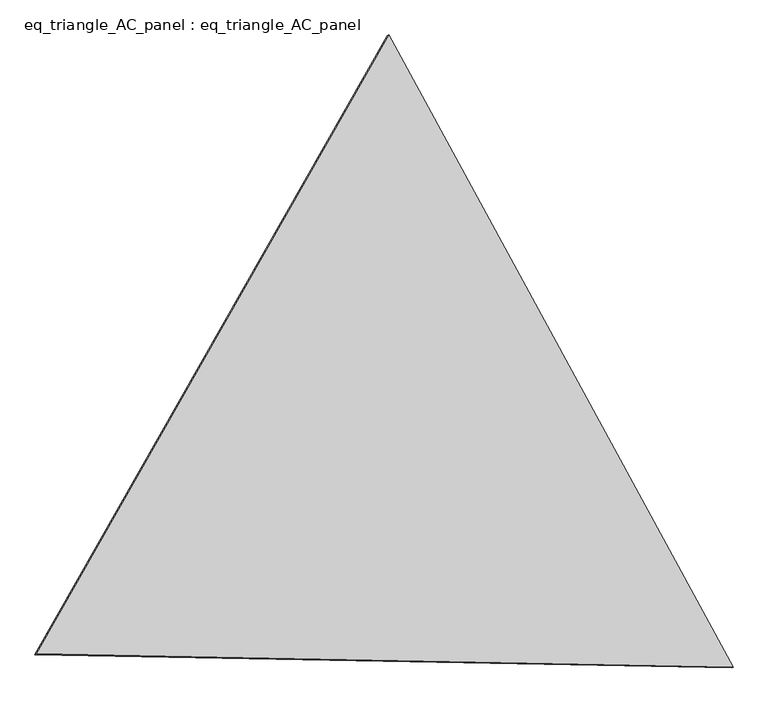
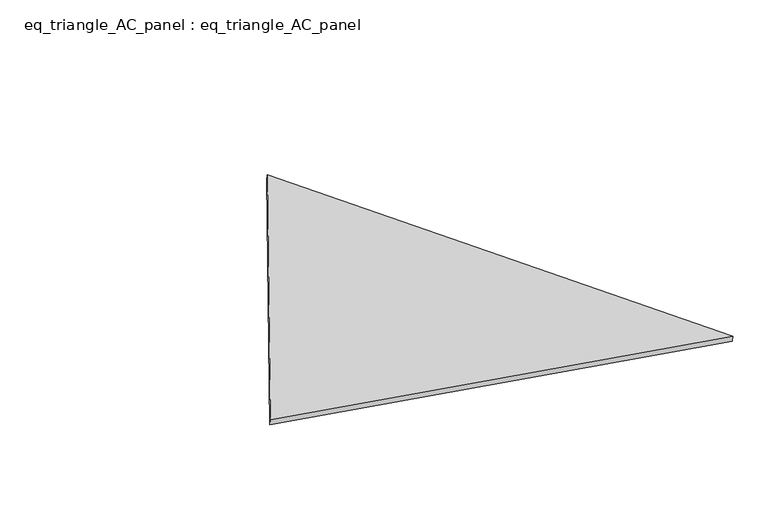
"""IFC4 building model written with IfcOpenShell, lengths in millimetres: proxy geometry, eq_triangle_AC_panel : eq_triangle_AC_panel."""

from ifc_helpers import new_model, si_unit, frame, origin, place, context, project, spatial, polyline, outline, extrude, source, transform, mapped, element, save


def eq_triangle_ac_panel_eq_triangle_ac_panel_4b975f3b(model_context):
    return source(origin(), model_context, "Body", "SweptSolid", [
        extrude(outline(polyline([(-2091.2806317, 1173.1764347), (2032.8117098, 1173.1764347), (58.4689218, -2346.3528694), (-2091.2806317, 1173.1764347)])), frame((0.0038051, 527.9290861, 89.8240019), z_axis=(0.14526328518058182, 0.08386570281802178, 0.9858321976225894), x_axis=(0.47857945251410244, -0.8780343203724689, 0.00417610815936702)), (0.0, 0.0, 1.0), 43.8306294),
    ])


if __name__ == "__main__":
    model = new_model("IFC4")
    model_context = context("Model", 3, world=origin())
    ifc_project = project(units=[si_unit("LENGTHUNIT", "METRE", prefix="MILLI")], contexts=[model_context])
    site = spatial("IfcSite", under=ifc_project)
    building = spatial("IfcBuilding", under=site)
    placement = place(None, origin())
    eq_triangle_ac_panel_eq_triangle_ac_panel_shape = eq_triangle_ac_panel_eq_triangle_ac_panel_4b975f3b(model_context)
    element("IfcBuildingElementProxy", 1, Name="eq_triangle_AC_panel : eq_triangle_AC_panel", ObjectType="eq_triangle_AC_panel : eq_triangle_AC_panel", at=placement, inside=building, context=model_context, shape_type="MappedRepresentation", body=[
        mapped(eq_triangle_ac_panel_eq_triangle_ac_panel_shape, transform((0.0, 0.0, 0.0), x_axis=(1.0, 0.0, 0.0), y_axis=(0.0, 1.0, 0.0), z_axis=(0.0, 0.0, 1.0))),
    ])
    save(model, "model.ifc")
